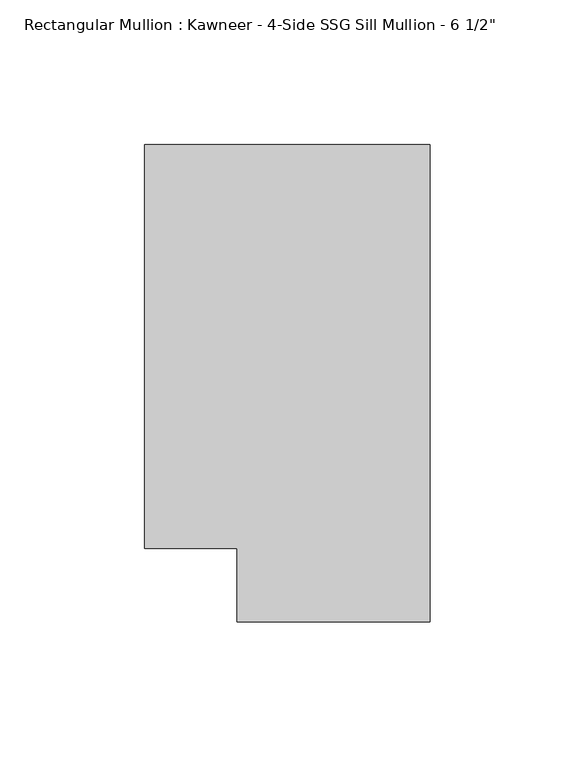
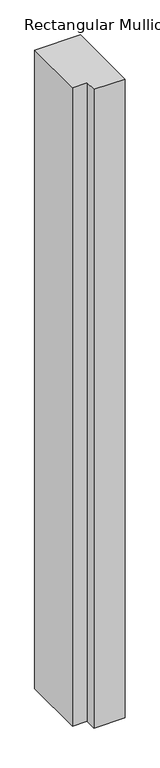
"""IFC4 building model written with IfcOpenShell, lengths in millimetres: member geometry."""

from ifc_helpers import new_model, si_unit, frame, origin, place, context, project, spatial, polyline, outline, extrude, source, transform, mapped, element, save


def member_0c913966(model_context):
    return source(origin(), model_context, "Body", "SweptSolid", [
        extrude(outline(polyline([(0.0, 151.892), (0.0, -12.7), (-66.6751132, -12.7), (-66.6751132, 12.7), (-98.425, 12.7), (-98.425, 151.892), (0.0, 151.892)])), frame((0.0, 0.0, -1443.5432602), z_axis=(0.0, 0.0, 1.0), x_axis=(1.0, 0.0, 0.0)), (0.0, 0.0, 1.0), 1443.5432602),
    ])


if __name__ == "__main__":
    model = new_model("IFC4")
    model_context = context("Model", 3, world=origin())
    ifc_project = project(units=[si_unit("LENGTHUNIT", "METRE", prefix="MILLI")], contexts=[model_context])
    site = spatial("IfcSite", under=ifc_project)
    building = spatial("IfcBuilding", under=site)
    placement = place(None, origin())
    member_shape = member_0c913966(model_context)
    element("IfcMember", 1, ObjectType="Rectangular Mullion : Kawneer - 4-Side SSG Sill Mullion - 6 1/2\"", at=placement, inside=building, context=model_context, shape_type="MappedRepresentation", body=[
        mapped(member_shape, transform((0.0, 0.0, 0.0), x_axis=(1.0, 0.0, 0.0), y_axis=(0.0, 1.0, 0.0), z_axis=(0.0, 0.0, 1.0))),
    ])
    save(model, "model.ifc")
